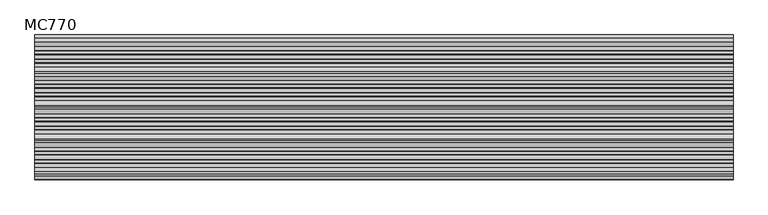
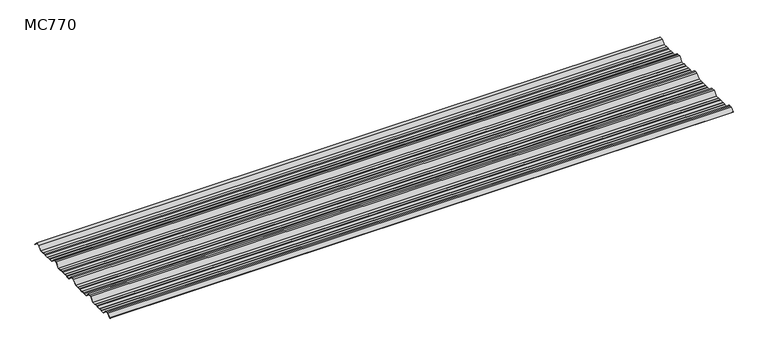
"""IFC4 building model written with IfcOpenShell, lengths in millimetres: beam geometry, MC770."""

from ifc_helpers import new_model, si_unit, point, frame, frame_2d, origin, place, context, project, spatial, polyline, circle_curve, trimmed, segment, composite_curve, outline, extrude, source, transform, mapped, element, save


def mc770_f2961468(model_context):
    return source(origin(), model_context, "Body", "SweptSolid", [
        extrude(outline(composite_curve([segment(polyline([(-155.0000967, -25.7896475), (-180.574511, 0.2103525), (-192.5, 0.2103525), (-204.425489, 0.2103525), (-229.9999033, -25.7896475), (-252.6975582, -25.7896475), (-255.9126024, -23.7494212), (-272.3405937, -23.7494212), (-276.7209114, -25.7896475), (-300.7790886, -25.7896475), (-305.1594063, -23.7494212), (-321.5873976, -23.7494212), (-324.8024418, -25.7896475), (-347.5000967, -25.7896475), (-373.074511, 0.2103525), (-385.0, 0.2103525), (-396.925489, 0.2103525), (-422.4999033, -25.7896475), (-445.1975582, -25.7896475), (-448.4126024, -23.7494212), (-464.8405937, -23.7494212), (-469.2209114, -25.7896475), (-493.2790886, -25.7896475), (-497.6594063, -23.7494212), (-514.0873976, -23.7494212), (-517.3024418, -25.7896475), (-540.0000967, -25.7896475), (-565.574511, 0.2103525), (-577.5, 0.2103525), (-589.425489, 0.2103525), (-614.9999033, -25.7896475), (-637.6975582, -25.7896475), (-640.9126024, -23.7494212), (-657.3405937, -23.7494212), (-661.7209114, -25.7896475), (-685.7790886, -25.7896475), (-690.1594063, -23.7494212), (-706.5873976, -23.7494212), (-709.8024418, -25.7896475), (-732.5000967, -25.7896475), (-758.074511, 0.2103525), (-770.0, 0.2103525), (-781.925489, 0.2103525), (-801.261749, -19.4476836)]), True, "CONTINUOUS"), segment(trimmed(circle_curve(frame_2d((-801.651258, -19.0516927)), 0.5554513), [point((-801.261749, -19.4476836))], [point((-802.0472489, -18.6621836))], False, "CARTESIAN"), True, "CONTINUOUS"), segment(polyline([(-802.0472489, -18.6621836), (-782.5, 1.2103525), (-770.0, 1.2103525), (-757.5, 1.2103525), (-731.9255858, -24.7896475), (-710.0929563, -24.7896475), (-706.8779121, -22.7494212), (-689.9379428, -22.7494212), (-685.5576251, -24.7896475), (-661.9423749, -24.7896475), (-657.5620572, -22.7494212), (-640.6220879, -22.7494212), (-637.4070437, -24.7896475), (-615.5744142, -24.7896475), (-590.0, 1.2103525), (-577.5, 1.2103525), (-565.0, 1.2103525), (-539.4255858, -24.7896475), (-517.5929563, -24.7896475), (-514.3779121, -22.7494212), (-497.4379428, -22.7494212), (-493.0576251, -24.7896475), (-469.4423749, -24.7896475), (-465.0620572, -22.7494212), (-448.1220879, -22.7494212), (-444.9070437, -24.7896475), (-423.0744142, -24.7896475), (-397.5, 1.2103525), (-385.0, 1.2103525), (-372.5, 1.2103525), (-346.9255858, -24.7896475), (-325.0929563, -24.7896475), (-321.8779121, -22.7494212), (-304.9379428, -22.7494212), (-300.5576251, -24.7896475), (-276.9423749, -24.7896475), (-272.5620572, -22.7494212), (-255.6220879, -22.7494212), (-252.4070437, -24.7896475), (-230.5744142, -24.7896475), (-205.0, 1.2103525), (-192.5, 1.2103525), (-180.0, 1.2103525), (-154.4255858, -24.7896475), (-132.5929563, -24.7896475), (-129.3779121, -22.7494212), (-112.4379428, -22.7494212), (-108.0576251, -24.7896475), (-84.4423749, -24.7896475), (-80.0620572, -22.7494212), (-63.1220879, -22.7494212), (-59.9070437, -24.7896475), (-35.113585, -24.7896475), (-11.5064334, -0.7896475), (11.5064334, -0.7896475), (31.651812, -21.2702668)]), True, "CONTINUOUS"), segment(trimmed(circle_curve(frame_2d((31.295329, -21.6209146)), 0.500034), [point((31.651812, -21.2702668))], [point((30.9446811, -21.9773977))], False, "CARTESIAN"), True, "CONTINUOUS"), segment(polyline([(30.9446811, -21.9773977), (11.0873778, -1.7896475), (-11.0873778, -1.7896475), (-34.6945294, -25.7896475), (-60.1975582, -25.7896475), (-63.4126024, -23.7494212), (-79.8405937, -23.7494212), (-84.2209114, -25.7896475), (-108.2790886, -25.7896475), (-112.6594063, -23.7494212), (-129.0873976, -23.7494212), (-132.3024418, -25.7896475), (-155.0000967, -25.7896475)]), True, "CONTINUOUS")], self_intersect=False)), frame((-2009.9265191, 0.0, 0.0), z_axis=(1.0, 0.0, 0.0), x_axis=(0.0, 1.0, 0.0)), (0.0, 0.0, 1.0), 4019.8530382),
    ])


if __name__ == "__main__":
    model = new_model("IFC4")
    model_context = context("Model", 3, world=origin())
    ifc_project = project(units=[si_unit("LENGTHUNIT", "METRE", prefix="MILLI")], contexts=[model_context])
    site = spatial("IfcSite", under=ifc_project)
    building = spatial("IfcBuilding", under=site)
    placement = place(None, origin())
    mc770_shape = mc770_f2961468(model_context)
    element("IfcBeam", 1, ObjectType="MC770", at=placement, inside=building, context=model_context, shape_type="MappedRepresentation", body=[
        mapped(mc770_shape, transform((0.0, 0.0, 0.0), x_axis=(1.0, 0.0, 0.0), y_axis=(0.0, 1.0, 0.0), z_axis=(0.0, 0.0, 1.0))),
    ])
    save(model, "model.ifc")
